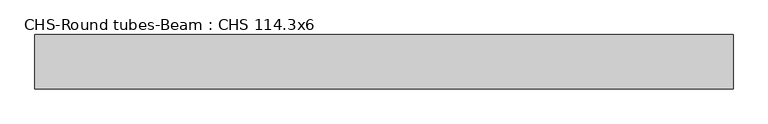
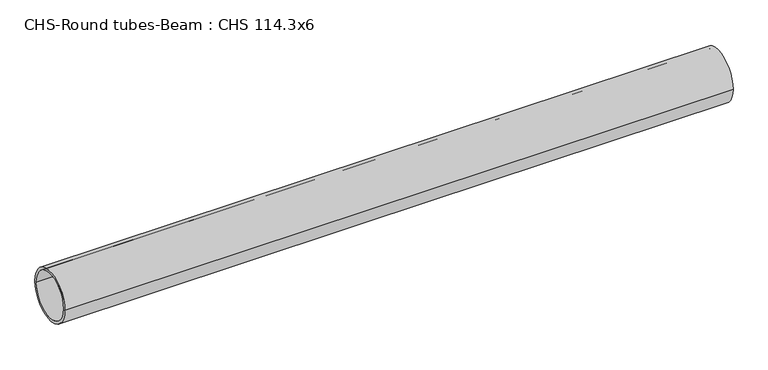
"""IFC4 building model written with IfcOpenShell, lengths in millimetres: beam geometry, CHS-Round tubes-Beam : CHS 114.3x6."""

from ifc_helpers import new_model, si_unit, point, frame, origin, origin_2d, place, context, project, spatial, circle_curve, trimmed, segment, composite_curve, outline, extrude, source, transform, mapped, element, save


def chs_round_tubes_beam_chs_114_3x6_b82473dd(model_context):
    return source(origin(), model_context, "Body", "SweptSolid", [
        extrude(outline(composite_curve([segment(trimmed(circle_curve(origin_2d(), 57.15), [point((57.15, 0.0))], [point((-57.15, 0.0))], False, "CARTESIAN"), True, "CONTINUOUS"), segment(trimmed(circle_curve(origin_2d(), 57.15), [point((-57.15, 0.0))], [point((57.15, 0.0))], False, "CARTESIAN"), True, "CONTINUOUS")], self_intersect=False), holes=[composite_curve([segment(trimmed(circle_curve(origin_2d(), 51.15), [point((51.15, 0.0))], [point((-51.15, 0.0))], True, "CARTESIAN"), True, "CONTINUOUS"), segment(trimmed(circle_curve(origin_2d(), 51.15), [point((-51.15, 0.0))], [point((51.15, 0.0))], True, "CARTESIAN"), True, "CONTINUOUS")], self_intersect=False)]), frame((-702.4622215, 0.0, 0.0), z_axis=(1.0, 0.0, 0.0), x_axis=(0.0, 1.0, 0.0)), (0.0, 0.0, 1.0), 1472.2834792),
    ])


if __name__ == "__main__":
    model = new_model("IFC4")
    model_context = context("Model", 3, world=origin())
    ifc_project = project(units=[si_unit("LENGTHUNIT", "METRE", prefix="MILLI")], contexts=[model_context])
    site = spatial("IfcSite", under=ifc_project)
    building = spatial("IfcBuilding", under=site)
    placement = place(None, origin())
    chs_round_tubes_beam_chs_114_3x6_shape = chs_round_tubes_beam_chs_114_3x6_b82473dd(model_context)
    element("IfcBeam", 1, ObjectType="CHS-Round tubes-Beam : CHS 114.3x6", at=placement, inside=building, context=model_context, shape_type="MappedRepresentation", body=[
        mapped(chs_round_tubes_beam_chs_114_3x6_shape, transform((0.0, 0.0, 0.0), x_axis=(1.0, 0.0, 0.0), y_axis=(0.0, 1.0, 0.0), z_axis=(0.0, 0.0, 1.0))),
    ])
    save(model, "model.ifc")
